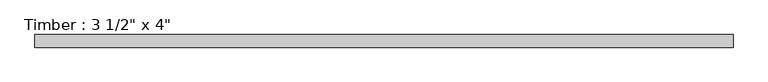
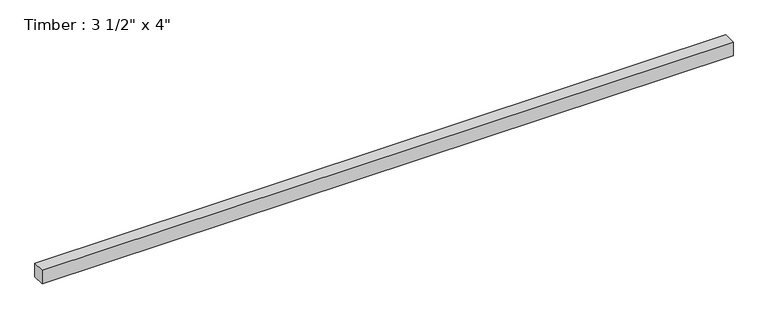
"""IFC4 building model written with IfcOpenShell, lengths in millimetres: beam geometry."""

import ifcopenshell
import ifcopenshell.guid

model = None  # the IFC model being written
_history = None  # IfcOwnerHistory: only IFC2X3 demands one
_inside = {}  # id of a spatial element -> (the spatial element, [elements in it])
_under = {}  # id of a project, library or spatial element -> (it, [spatial elements below it])
_declared = {}  # id of a project -> (the project, [libraries it declares])
_typed = {}  # id of a type object -> (the type object, [elements of that type])
_made_of = {}  # id of a material, layer set ... -> (it, [elements and type objects made of it])


def new_model(schema):
    """Start an empty IFC model of exactly this schema.

    Asked for "IFC4X3", IfcOpenShell would pick the latest addendum, in which some entities
    have other attributes; the version numbers below select the first issue.
    IFC2X3 requires an IfcOwnerHistory on every rooted entity: one is made here for all.
    """
    global model, _history
    if schema == "IFC4X3":
        model = ifcopenshell.file(schema_version=(4, 3, 0, 0))
    else:
        model = ifcopenshell.file(schema=schema)
    _inside.clear()
    _under.clear()
    _declared.clear()
    _typed.clear()
    _made_of.clear()
    _history = None
    if model.schema == "IFC2X3":
        org = make("IfcOrganization", Name="unknown")
        user = make(
            "IfcPersonAndOrganization",
            ThePerson=make("IfcPerson", FamilyName="unknown"),
            TheOrganization=org,
        )
        app = make(
            "IfcApplication",
            ApplicationDeveloper=org,
            Version="unknown",
            ApplicationFullName="unknown",
            ApplicationIdentifier="unknown",
        )
        _history = make(
            "IfcOwnerHistory",
            OwningUser=user,
            OwningApplication=app,
            ChangeAction="ADDED",
            CreationDate=0,
        )
    return model


def make(cls, **values):
    """One entity of the class cls with the attributes given. An attribute that is None is left unset."""
    return model.create_entity(
        cls, **{name: value for name, value in values.items() if value is not None}
    )


def rooted(cls, **values):
    """An entity with a GlobalId (a new one), such as an element, a storey or a relation."""
    return make(cls, GlobalId=ifcopenshell.guid.new(), OwnerHistory=_history, **values)


def si_unit(unit_type, name, prefix=None):
    """IfcSIUnit, for example si_unit("LENGTHUNIT", "METRE", prefix="MILLI")."""
    return make("IfcSIUnit", UnitType=unit_type, Prefix=prefix, Name=name)


def assignment(units):
    """IfcUnitAssignment: the units of a project."""
    return None if units is None else make("IfcUnitAssignment", Units=units)


def point(xyz):
    """IfcCartesianPoint."""
    return None if xyz is None else make("IfcCartesianPoint", Coordinates=xyz)


def direction(xyz):
    """IfcDirection."""
    return None if xyz is None else make("IfcDirection", DirectionRatios=xyz)


def frame(location, z_axis=None, x_axis=None):
    """IfcAxis2Placement3D, a coordinate frame: its origin and axes. An axis left out is left unset."""
    return make(
        "IfcAxis2Placement3D",
        Location=point(location),
        Axis=direction(z_axis),
        RefDirection=direction(x_axis),
    )


def origin():
    """The frame at (0, 0, 0) with its axes left unset."""
    return frame((0.0, 0.0, 0.0))


def place(relative_to, where):
    """IfcLocalPlacement: puts the frame where relative to a parent placement (None: the world)."""
    return make(
        "IfcLocalPlacement", PlacementRelTo=relative_to, RelativePlacement=where
    )


def context(
    kind, dimensions, precision=None, world=None, true_north=None, identifier=None
):
    """IfcGeometricRepresentationContext, for example the 3D "Model" context."""
    return make(
        "IfcGeometricRepresentationContext",
        ContextIdentifier=identifier,
        ContextType=kind,
        CoordinateSpaceDimension=dimensions,
        Precision=precision,
        WorldCoordinateSystem=world,
        TrueNorth=true_north,
    )


def project(units=None, contexts=None):
    """IfcProject with its units and contexts."""
    return rooted(
        "IfcProject",
        Name="project",
        RepresentationContexts=contexts,
        UnitsInContext=assignment(units),
    )


def spatial(cls, under=None, at=None, **own):
    """A site, building, storey or space (cls), placed at a placement, below another one or the project."""
    s = rooted(cls, ObjectPlacement=at, **own)
    if under is not None:
        _under.setdefault(under.id(), (under, []))[1].append(s)
    return s


def polyline(points):
    """IfcPolyline through the points."""
    return make("IfcPolyline", Points=[point(p) for p in points])


def outline(outer, holes=None, kind="AREA"):
    """IfcArbitraryClosedProfileDef: a profile drawn as a closed curve; with holes, ...WithVoids."""
    if holes is None:
        return make("IfcArbitraryClosedProfileDef", ProfileType=kind, OuterCurve=outer)
    return make(
        "IfcArbitraryProfileDefWithVoids",
        ProfileType=kind,
        OuterCurve=outer,
        InnerCurves=holes,
    )


def extrude(swept, where, along, depth):
    """IfcExtrudedAreaSolid: the profile swept, set in the frame where, extruded along a direction by depth."""
    return make(
        "IfcExtrudedAreaSolid",
        SweptArea=swept,
        Position=where,
        ExtrudedDirection=direction(along),
        Depth=depth,
    )


def shape(context_of_items, identifier, shape_type, items):
    """IfcShapeRepresentation: the items that make up one representation, for example the "Body"."""
    return make(
        "IfcShapeRepresentation",
        ContextOfItems=context_of_items,
        RepresentationIdentifier=identifier,
        RepresentationType=shape_type,
        Items=items,
    )


def source(mapping_origin, context_of_items, identifier, shape_type, items):
    """IfcRepresentationMap: a shape defined once, which mapped items show again and again."""
    return make(
        "IfcRepresentationMap",
        MappingOrigin=mapping_origin,
        MappedRepresentation=shape(context_of_items, identifier, shape_type, items),
    )


def transform(
    local_origin,
    x_axis=None,
    y_axis=None,
    z_axis=None,
    scale=None,
    scale2=None,
    scale3=None,
    uniform=True,
):
    """IfcCartesianTransformationOperator3D, or its non-uniform kind. x_axis, y_axis, z_axis: its Axis1, 2, 3."""
    if uniform:
        return make(
            "IfcCartesianTransformationOperator3D",
            Axis1=direction(x_axis),
            Axis2=direction(y_axis),
            LocalOrigin=point(local_origin),
            Scale=scale,
            Axis3=direction(z_axis),
        )
    return make(
        "IfcCartesianTransformationOperator3DnonUniform",
        Axis1=direction(x_axis),
        Axis2=direction(y_axis),
        LocalOrigin=point(local_origin),
        Scale=scale,
        Axis3=direction(z_axis),
        Scale2=scale2,
        Scale3=scale3,
    )


def mapped(mapping_source, mapping_target):
    """IfcMappedItem: shows the shape of a source again, moved by a transform."""
    return make(
        "IfcMappedItem", MappingSource=mapping_source, MappingTarget=mapping_target
    )


def made_of(thing, what):
    """Note that an element or type object is made of a material, layer set ...; save() writes the relation."""
    if what is not None:
        _made_of.setdefault(what.id(), (what, []))[1].append(thing)
    return thing


def element(
    cls,
    number,
    at=None,
    inside=None,
    cuts=None,
    type_object=None,
    material=None,
    context=None,
    identifier="Body",
    shape_type=None,
    held_by="IfcProductDefinitionShape",
    body=None,
    shapes=None,
    **own,
):
    """One element of the class cls, such as IfcWall. Its Tag is "e" and its number.

    at: its placement. inside: the storey or other place that contains it. cuts: it is an
    opening in that element (IfcRelVoidsElement). A single representation is given by context,
    identifier, shape_type and body (its items); several are given by shapes. held_by: the class
    of the entity that holds the representations. save() writes the other relations.
    """
    e = rooted(cls, Tag="e%d" % number, ObjectPlacement=at, **own)
    if body is not None:
        shapes = [shape(context, identifier, shape_type, body)]
    if shapes is not None:
        e.Representation = make(held_by, Representations=shapes)
    if inside is not None:
        _inside.setdefault(inside.id(), (inside, []))[1].append(e)
    if cuts is not None:
        rooted(
            "IfcRelVoidsElement", RelatingBuildingElement=cuts, RelatedOpeningElement=e
        )
    if type_object is not None:
        _typed.setdefault(type_object.id(), (type_object, []))[1].append(e)
    return made_of(e, material)


def aggregate(whole, parts):
    """IfcRelAggregates: a whole, such as a stair, and the parts it consists of."""
    return rooted("IfcRelAggregates", RelatingObject=whole, RelatedObjects=parts)


def save(model, path):
    """Write the relations noted so far, then the file.

    IfcRelAggregates (storeys below a building ...), IfcRelContainedInSpatialStructure (elements
    in a storey), IfcRelDefinesByType, IfcRelAssociatesMaterial and IfcRelDeclares: one each for
    every whole, place, type object, material and project.
    """
    for whole, parts in _under.values():
        aggregate(whole, parts)
    for where, things in _inside.values():
        rooted(
            "IfcRelContainedInSpatialStructure",
            RelatedElements=things,
            RelatingStructure=where,
        )
    for kind, things in _typed.values():
        rooted("IfcRelDefinesByType", RelatedObjects=things, RelatingType=kind)
    for what, things in _made_of.values():
        rooted("IfcRelAssociatesMaterial", RelatedObjects=things, RelatingMaterial=what)
    for by, libraries in _declared.values():
        rooted("IfcRelDeclares", RelatingContext=by, RelatedDefinitions=libraries)
    model.write(path)


def beam_b9723f2e(model_context):
    return source(origin(), model_context, "Body", "SweptSolid", [
        extrude(outline(polyline([(2453.122581, -44.45), (-2453.122581, -44.45), (-2453.122581, 44.45), (2453.122581, 44.45), (2453.122581, -44.45)])), frame((0.0, 0.0, -50.8), z_axis=(0.0, 0.0, 1.0), x_axis=(1.0, 0.0, 0.0)), (0.0, 0.0, 1.0), 101.6),
    ])


if __name__ == "__main__":
    model = new_model("IFC4")
    model_context = context("Model", 3, world=origin())
    ifc_project = project(units=[si_unit("LENGTHUNIT", "METRE", prefix="MILLI")], contexts=[model_context])
    site = spatial("IfcSite", under=ifc_project)
    building = spatial("IfcBuilding", under=site)
    placement = place(None, origin())
    beam_shape = beam_b9723f2e(model_context)
    element("IfcBeam", 1, ObjectType="Timber : 3 1/2\" x 4\"", at=placement, inside=building, context=model_context, shape_type="MappedRepresentation", body=[
        mapped(beam_shape, transform((0.0, 0.0, 0.0), x_axis=(1.0, 0.0, 0.0), y_axis=(0.0, 1.0, 0.0), z_axis=(0.0, 0.0, 1.0))),
    ])
    save(model, "model.ifc")
